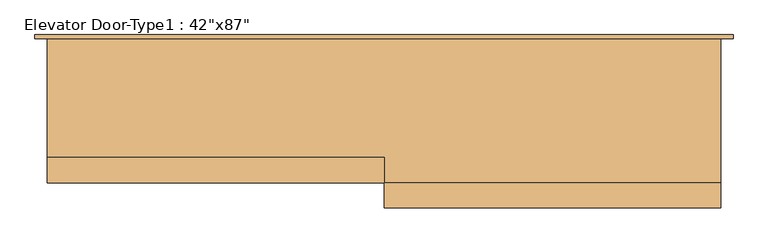
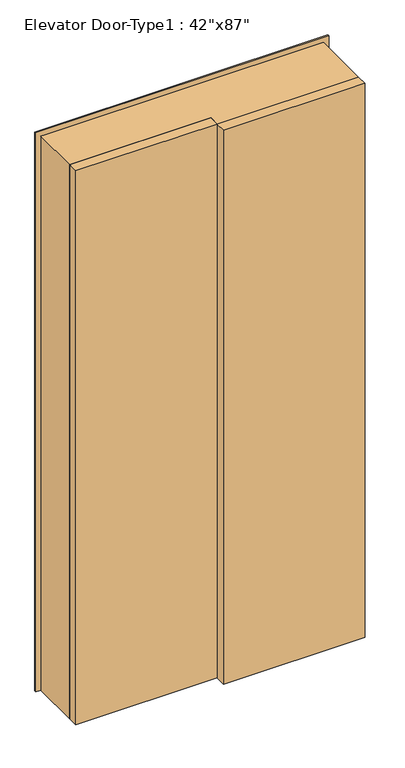
"""IFC4 building model written with IfcOpenShell, lengths in millimetres: door geometry."""

from ifc_helpers import new_model, si_unit, origin, origin_with_axes, place, context, project, spatial, polyline, outline, extrude, faceted_brep, source, transform, mapped, element, save


def door_621f6c77(model_context):
    return source(origin(), model_context, "Body", "SolidModel", [
        extrude(outline(polyline([(283.4, -154.3), (-250.0, -154.3), (-250.0, -114.3), (283.4, -114.3), (283.4, -154.3)])), origin_with_axes(), (0.0, 0.0, 1.0), 2209.8),
        extrude(outline(polyline([(-250.0, -114.3), (-783.4, -114.3), (-783.4, -74.3), (-250.0, -74.3), (-250.0, -114.3)])), origin_with_axes(), (0.0, 0.0, 1.0), 2209.8),
        faceted_brep([(302.8, 120.3, 0.0), (302.8, 114.3, 0.0), (283.4, 114.3, 0.0), (283.4, -114.3, 0.0), (277.4, -114.3, 0.0), (277.4, 120.3, 0.0), (302.8, 120.3, 2229.2), (302.8, 114.3, 2229.2), (-802.8, 114.3, 2229.2), (-802.8, 114.3, 0.0), (-783.4, 114.3, 0.0), (-783.4, 114.3, 2209.8), (283.4, 114.3, 2209.8), (283.4, -114.3, 2209.8), (-250.0, -114.3, 2209.8), (-250.0, -114.3, 2203.8), (277.4, -114.3, 2203.8), (277.4, 120.3, 2203.8), (-777.4, 120.3, 2203.8), (-777.4, 120.3, 0.0), (-802.8, 120.3, 0.0), (-802.8, 120.3, 2229.2), (-777.4, -74.3, 0.0), (-783.4, -74.3, 0.0), (-783.4, -74.3, 2209.8), (-777.4, -74.3, 2203.8), (-250.0, -74.3, 2203.8), (-250.0, -74.3, 2209.8)], [[[0, 1, 2, 3, 4, 5]], [[1, 0, 6, 7]], [[2, 1, 7, 8, 9, 10, 11, 12]], [[3, 2, 12, 13]], [[4, 3, 13, 14, 15, 16]], [[5, 4, 16, 17]], [[0, 5, 17, 18, 19, 20, 21, 6]], [[9, 8, 21, 20]], [[10, 9, 20, 19, 22, 23]], [[11, 10, 23, 24]], [[19, 18, 25, 22]], [[26, 27, 24, 23, 22, 25]], [[7, 6, 21, 8]], [[12, 11, 24, 27, 14, 13]], [[17, 16, 15, 26, 25, 18]], [[27, 26, 15, 14]]]),
    ])


if __name__ == "__main__":
    model = new_model("IFC4")
    model_context = context("Model", 3, world=origin())
    ifc_project = project(units=[si_unit("LENGTHUNIT", "METRE", prefix="MILLI")], contexts=[model_context])
    site = spatial("IfcSite", under=ifc_project)
    building = spatial("IfcBuilding", under=site)
    placement = place(None, origin())
    door_shape = door_621f6c77(model_context)
    element("IfcDoor", 1, ObjectType="Elevator Door-Type1 : 42\"x87\"", at=placement, inside=building, context=model_context, shape_type="MappedRepresentation", body=[
        mapped(door_shape, transform((0.0, 0.0, 0.0), x_axis=(1.0, 0.0, 0.0), y_axis=(0.0, 1.0, 0.0), z_axis=(0.0, 0.0, 1.0))),
    ])
    save(model, "model.ifc")
